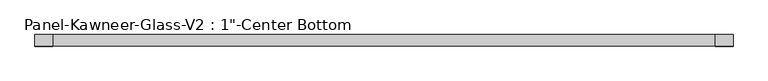
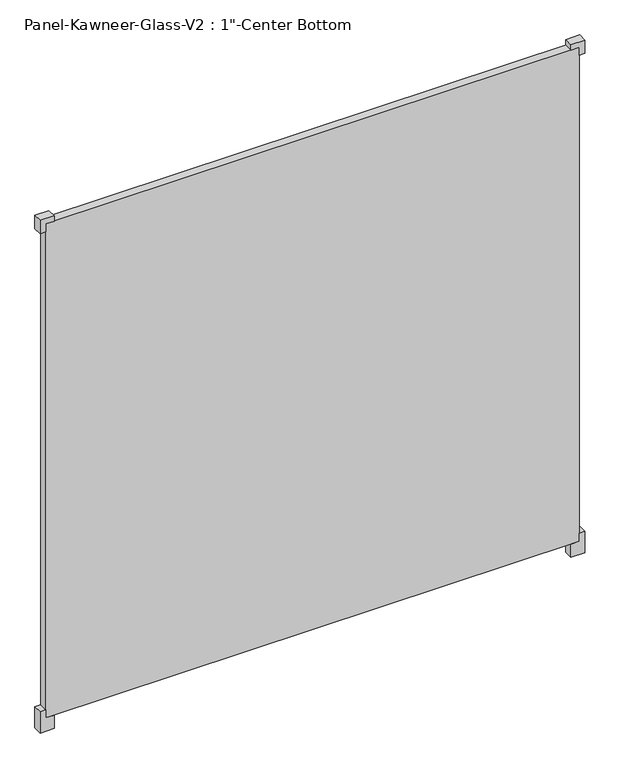
"""IFC4 building model written with IfcOpenShell, lengths in millimetres: plate geometry."""

from ifc_helpers import new_model, si_unit, frame, origin, origin_with_axes, place, context, project, spatial, polyline, outline, extrude, source, transform, mapped, element, save


def plate_e9f94726(model_context):
    return source(origin(), model_context, "Body", "SweptSolid", [
        extrude(outline(polyline([(-39.6875, 730.25), (-39.6875, 769.9375), (23.8125, 769.9375), (23.8125, 754.0625), (0.0, 754.0625), (0.0, 730.25), (-39.6875, 730.25)])), frame((0.0, -12.7327949, 0.0), z_axis=(0.0, 1.0, 0.0), x_axis=(0.0, 0.0, 1.0)), (0.0, 0.0, 1.0), 25.4),
        extrude(outline(polyline([(-39.6875, -730.25), (0.0, -730.25), (0.0, -754.0625), (23.8125, -754.0625), (23.8125, -769.9375), (-39.6875, -769.9375), (-39.6875, -730.25)])), frame((0.0, -12.7327949, 0.0), z_axis=(0.0, 1.0, 0.0), x_axis=(0.0, 0.0, 1.0)), (0.0, 0.0, 1.0), 25.4),
        extrude(outline(polyline([(1492.25, 730.25), (1476.375, 730.25), (1476.375, 754.0625), (1452.5625, 754.0625), (1452.5625, 769.9375), (1492.25, 769.9375), (1492.25, 730.25)])), frame((0.0, -12.7327949, 0.0), z_axis=(0.0, 1.0, 0.0), x_axis=(0.0, 0.0, 1.0)), (0.0, 0.0, 1.0), 25.4),
        extrude(outline(polyline([(1492.25, -730.25), (1492.25, -769.9375), (1452.5625, -769.9375), (1452.5625, -754.0625), (1476.375, -754.0625), (1476.375, -730.25), (1492.25, -730.25)])), frame((0.0, -12.7327949, 0.0), z_axis=(0.0, 1.0, 0.0), x_axis=(0.0, 0.0, 1.0)), (0.0, 0.0, 1.0), 25.4),
        extrude(outline(polyline([(754.0625, 12.6672051), (754.0625, -12.7327949), (-754.0625, -12.7327949), (-754.0625, 12.6672051), (754.0625, 12.6672051)])), origin_with_axes(), (0.0, 0.0, 1.0), 1476.375),
    ])


if __name__ == "__main__":
    model = new_model("IFC4")
    model_context = context("Model", 3, world=origin())
    ifc_project = project(units=[si_unit("LENGTHUNIT", "METRE", prefix="MILLI")], contexts=[model_context])
    site = spatial("IfcSite", under=ifc_project)
    building = spatial("IfcBuilding", under=site)
    placement = place(None, origin())
    plate_shape = plate_e9f94726(model_context)
    element("IfcPlate", 1, ObjectType="Panel-Kawneer-Glass-V2 : 1\"-Center Bottom", at=placement, inside=building, context=model_context, shape_type="MappedRepresentation", body=[
        mapped(plate_shape, transform((0.0, 0.0, 0.0), x_axis=(1.0, 0.0, 0.0), y_axis=(0.0, 1.0, 0.0), z_axis=(0.0, 0.0, 1.0))),
    ])
    save(model, "model.ifc")
